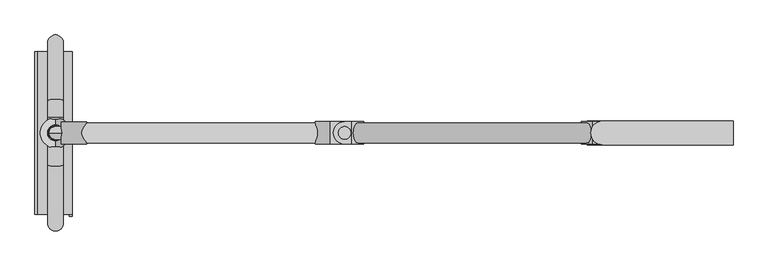
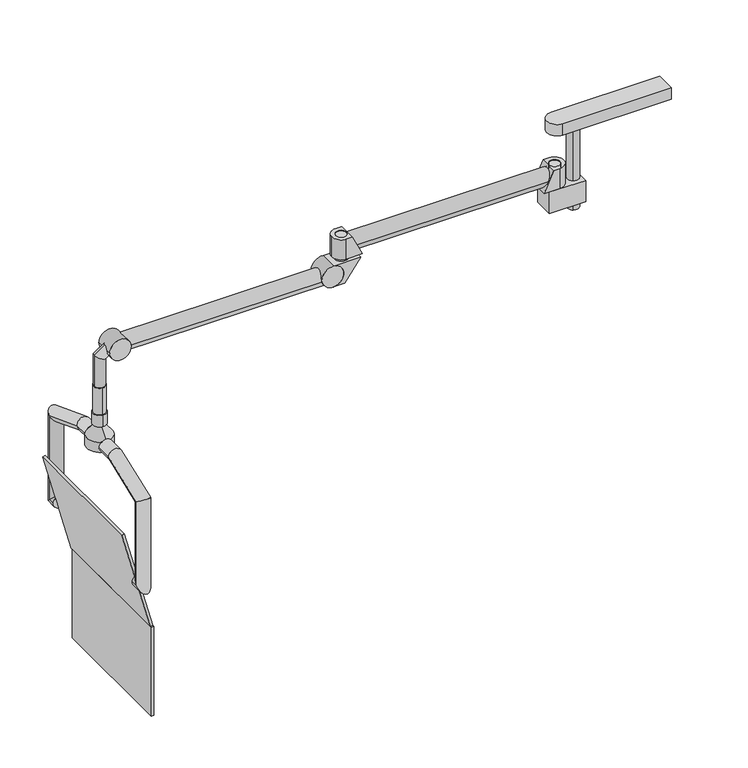
"""IFC4 building model written with IfcOpenShell, lengths in millimetres: proxy geometry."""

from ifc_helpers import new_model, si_unit, point, frame, frame_2d, origin, place, context, project, spatial, polyline, circle_curve, ellipse_curve, trimmed, segment, composite_curve, outline, extrude, source, transform, mapped, element, save
from ifc_brep_helpers import plane_surface, cylinder_surface, revolved_surface, advanced_brep


def specialty_equipment_772f9562(model_context):
    return source(origin(), model_context, "Body", "SolidModel", [
        extrude(outline(polyline([(-2079.0708704, 249.9719981), (-2069.0708704, 249.9719981), (-2069.0708704, -261.7552426), (-2079.0708704, -261.7552426), (-2079.0708704, 249.9719981)])), frame((0.0, 0.0, 1187.1960322), z_axis=(0.0, 0.0, 1.0), x_axis=(1.0, 0.0, 0.0)), (0.0, 0.0, 1.0), 351.9023414),
        extrude(outline(polyline([(1937.7690322, -2186.2448704), (1539.0983737, -2079.4225831), (1539.0983737, -2069.0708704), (1940.3569354, -2176.5865765), (1937.7690322, -2186.2448704)])), frame((0.0, -255.701655, 0.0), z_axis=(0.0, 1.0, 0.0), x_axis=(0.0, 0.0, 1.0)), (0.0, 0.0, 1.0), 511.4259107),
        advanced_brep(
        [(-2096.7549478, -256.4897498, 1739.5010997), (-2146.7549478, -256.4897498, 1739.5010997), (-2096.7549478, -282.5558828, 1739.5010997), (-2146.7549478, -282.5558828, 1739.5010997), (-2096.7549478, -282.5558828, 2072.6198496), (-2146.7549478, -282.5558828, 2072.6198496), (-2096.7549478, -100.5076996, 2142.5015997), (-2146.7549478, -100.5076996, 2142.5015997), (-2096.7549478, 47.5113004, 2142.5015997), (-2146.7549478, 47.5113004, 2142.5015997), (-2096.7549478, 100.5303004, 2142.5015997), (-2146.7549478, 100.5303004, 2142.5015997), (-2096.7549478, 282.5784836, 2072.6198496), (-2146.7549478, 282.5784836, 2072.6198496), (-2096.7549478, 282.5784836, 1739.5010997), (-2146.7549478, 282.5784836, 1739.5010997), (-2096.7549478, 256.5123506, 1739.5010997), (-2146.7549478, 256.5123506, 1739.5010997)],
        [
            (0, 1, circle_curve(frame((-2121.7549478, -256.4897498, 1739.5010997), z_axis=(0.0, 1.0, 0.0), x_axis=(-1.0, 0.0, 0.0)), 25.0)),
            (1, 0, circle_curve(frame((-2121.7549478, -256.4897498, 1739.5010997), z_axis=(0.0, 1.0, 0.0), x_axis=(-1.0, 0.0, 0.0)), 25.0)),
            (0, 2),
            (2, 3, ellipse_curve(frame((-2121.7549478, -282.5558828, 1739.5010997), z_axis=(0.0, 0.7071067811865429, -0.7071067811865522), x_axis=(0.0, 0.7071067811865519, 0.707106781186543)), 35.3553391, 25.0)),
            (3, 1),
            (3, 2, ellipse_curve(frame((-2121.7549478, -282.5558828, 1739.5010997), z_axis=(0.0, 0.7071067811865429, -0.7071067811865522), x_axis=(0.0, 0.7071067811865519, 0.707106781186543)), 35.3553391, 25.0)),
            (2, 4),
            (4, 5, ellipse_curve(frame((-2121.7549478, -282.5558828, 2072.6198496), z_axis=(0.0, -0.5664062369248385, -0.8241261886220117), x_axis=(0.0, 0.8241261886220117, -0.5664062369248386)), 30.3351603, 25.0)),
            (5, 3),
            (5, 4, ellipse_curve(frame((-2121.7549478, -282.5558828, 2072.6198496), z_axis=(0.0, -0.5664062369248385, -0.8241261886220117), x_axis=(0.0, 0.8241261886220117, -0.5664062369248386)), 30.3351603, 25.0)),
            (4, 6),
            (6, 7, ellipse_curve(frame((-2121.7549478, -100.5076996, 2142.5015997), z_axis=(0.0, -0.9832549075639563, -0.18223552549213906), x_axis=(0.0, 0.18223552549214003, -0.983254907563956)), 25.4257566, 25.0)),
            (7, 5),
            (7, 6, ellipse_curve(frame((-2121.7549478, -100.5076996, 2142.5015997), z_axis=(0.0, -0.9832549075639563, -0.18223552549213906), x_axis=(0.0, 0.18223552549214003, -0.983254907563956)), 25.4257566, 25.0)),
            (6, 8),
            (8, 9, circle_curve(frame((-2121.7549478, 47.5113004, 2142.5015997), z_axis=(0.0, -1.0, 0.0), x_axis=(-1.0, 0.0, 0.0)), 25.0)),
            (9, 7),
            (9, 8, circle_curve(frame((-2121.7549478, 47.5113004, 2142.5015997), z_axis=(0.0, -1.0, 0.0), x_axis=(-1.0, 0.0, 0.0)), 25.0)),
            (8, 10),
            (10, 11, ellipse_curve(frame((-2121.7549478, 100.5303004, 2142.5015997), z_axis=(0.0, -0.9832549075639536, 0.18223552549215305), x_axis=(0.0, -0.18223552549215277, -0.9832549075639535)), 25.4257566, 25.0)),
            (11, 9),
            (11, 10, ellipse_curve(frame((-2121.7549478, 100.5303004, 2142.5015997), z_axis=(0.0, -0.9832549075639536, 0.18223552549215305), x_axis=(0.0, -0.18223552549215277, -0.9832549075639535)), 25.4257566, 25.0)),
            (10, 12),
            (12, 13, ellipse_curve(frame((-2121.7549478, 282.5784836, 2072.6198496), z_axis=(0.0, -0.5664062369248266, 0.8241261886220198), x_axis=(0.0, -0.82412618862202, -0.5664062369248265)), 30.3351603, 25.0)),
            (13, 11),
            (13, 12, ellipse_curve(frame((-2121.7549478, 282.5784836, 2072.6198496), z_axis=(0.0, -0.5664062369248266, 0.8241261886220198), x_axis=(0.0, -0.82412618862202, -0.5664062369248265)), 30.3351603, 25.0)),
            (12, 14),
            (14, 15, ellipse_curve(frame((-2121.7549478, 282.5784836, 1739.5010997), z_axis=(0.0, 0.7071067811865529, 0.707106781186542), x_axis=(0.0, -0.7071067811865419, 0.707106781186553)), 35.3553391, 25.0)),
            (15, 13),
            (15, 14, ellipse_curve(frame((-2121.7549478, 282.5784836, 1739.5010997), z_axis=(0.0, 0.7071067811865529, 0.707106781186542), x_axis=(0.0, -0.7071067811865419, 0.707106781186553)), 35.3553391, 25.0)),
            (16, 17, circle_curve(frame((-2121.7549478, 256.5123506, 1739.5010997), z_axis=(0.0, -1.0, 0.0), x_axis=(-1.0, 0.0, 0.0)), 25.0)),
            (17, 16, circle_curve(frame((-2121.7549478, 256.5123506, 1739.5010997), z_axis=(0.0, -1.0, 0.0), x_axis=(-1.0, 0.0, 0.0)), 25.0)),
            (14, 16),
            (17, 15),
        ],
        [
            plane_surface(frame((-2121.7549478, -256.4897498, 1739.5010997), z_axis=(0.0, 1.0, 0.0), x_axis=(-1.0, 0.0, 0.0))),
            cylinder_surface(frame((-2121.7549478, -256.4897498, 1739.5010997), z_axis=(0.0, 1.0, 0.0), x_axis=(-1.0, 0.0, 0.0)), 25.0),
            cylinder_surface(frame((-2121.7549478, -282.5558828, 1739.5010997), z_axis=(0.0, 0.0, -1.0), x_axis=(-1.0, 0.0, 0.0)), 25.0),
            cylinder_surface(frame((-2121.7549478, -282.5558828, 2072.6198496), z_axis=(0.0, -0.9335804264972041, -0.35836794954529444), x_axis=(-1.0, 0.0, 0.0)), 25.0),
            cylinder_surface(frame((-2121.7549478, -100.5076996, 2142.5015997), z_axis=(0.0, -1.0, 0.0), x_axis=(-1.0, 0.0, 0.0)), 25.0),
            cylinder_surface(frame((-2121.7549478, 47.5113004, 2142.5015997), z_axis=(0.0, -1.0, 0.0), x_axis=(-1.0, 0.0, 0.0)), 25.0),
            cylinder_surface(frame((-2121.7549478, 100.5303004, 2142.5015997), z_axis=(0.0, -0.9335804264971989, 0.35836794954530776), x_axis=(-1.0, 0.0, 0.0)), 25.0),
            cylinder_surface(frame((-2121.7549478, 282.5784836, 2072.6198496), z_axis=(0.0, 0.0, 1.0), x_axis=(-1.0, 0.0, 0.0)), 25.0),
            plane_surface(frame((-2121.7549478, 256.5123506, 1739.5010997), z_axis=(0.0, -1.0, 0.0), x_axis=(-1.0, 0.0, 0.0))),
            cylinder_surface(frame((-2121.7549478, 282.5784836, 1739.5010997), z_axis=(0.0, 1.0, 0.0), x_axis=(-1.0, 0.0, 0.0)), 25.0),
        ],
        [
            (0, [[1, 2]]),
            (1, [[-1, 3, 4, 5]]),
            (1, [[-2, -5, 6, -3]]),
            (2, [[-4, 7, 8, 9]]),
            (2, [[-6, -9, 10, -7]]),
            (3, [[-8, 11, 12, 13]]),
            (3, [[-10, -13, 14, -11]]),
            (4, [[-12, 15, 16, 17]]),
            (4, [[-14, -17, 18, -15]]),
            (5, [[-16, 19, 20, 21]]),
            (5, [[-18, -21, 22, -19]]),
            (6, [[-20, 23, 24, 25]]),
            (6, [[-22, -25, 26, -23]]),
            (7, [[-24, 27, 28, 29]]),
            (7, [[-26, -29, 30, -27]]),
            (8, [[31, 32]]),
            (9, [[-28, 33, -32, 34]]),
            (9, [[-30, -34, -31, -33]]),
        ],
    ),
        advanced_brep(
        [(-2121.7549478, 47.5113004, 2162.5015997), (-2121.7549478, -47.4886996, 2162.5015997), (-2121.7549478, -47.4886996, 2122.5015997), (-2121.7549478, 47.5113004, 2122.5015997), (-2121.7549478, 14.9141675, 2202.7557064), (-2121.7549478, -14.8915667, 2202.7557064), (-2121.7549478, 14.9141675, 2207.5015997), (-2121.7549478, -14.8915667, 2207.5015997), (-2121.7549478, 25.0113004, 2207.5015997), (-2121.7549478, -24.9886996, 2207.5015997), (-2121.7549478, 25.0113004, 2252.5015997), (-2121.7549478, -24.9886996, 2252.5015997), (-2121.7549478, 22.0113004, 2252.5015997), (-2121.7549478, -21.9886996, 2252.5015997), (-2121.7549478, 22.0113004, 2358.5015997), (-2121.7549478, -21.9886996, 2358.5015997), (-2121.7549478, 0.0113004, 2358.5015997), (-2121.7549478, 0.0113004, 2122.5015997)],
        [
            (0, 1, circle_curve(frame((-2121.7549478, 0.0113004, 2162.5015997), z_axis=(0.0, 0.0, -1.0), x_axis=(0.0, -1.0, 0.0)), 47.5)),
            (1, 2),
            (2, 3, circle_curve(frame((-2121.7549478, 0.0113004, 2122.5015997), z_axis=(0.0, 0.0, 1.0), x_axis=(0.0, -1.0, 0.0)), 47.5)),
            (3, 0),
            (1, 0, circle_curve(frame((-2121.7549478, 0.0113004, 2162.5015997), z_axis=(0.0, 0.0, -1.0), x_axis=(0.0, -1.0, 0.0)), 47.5)),
            (3, 2, circle_curve(frame((-2121.7549478, 0.0113004, 2122.5015997), z_axis=(0.0, 0.0, 1.0), x_axis=(0.0, -1.0, 0.0)), 47.5)),
            (4, 5, circle_curve(frame((-2121.7549478, 0.0113004, 2202.7557064), z_axis=(0.0, 0.0, -1.0), x_axis=(0.0, -1.0, 0.0)), 14.9028671)),
            (5, 1),
            (0, 4),
            (5, 4, circle_curve(frame((-2121.7549478, 0.0113004, 2202.7557064), z_axis=(0.0, 0.0, -1.0), x_axis=(0.0, -1.0, 0.0)), 14.9028671)),
            (6, 7, circle_curve(frame((-2121.7549478, 0.0113004, 2207.5015997), z_axis=(0.0, 0.0, -1.0), x_axis=(0.0, -1.0, 0.0)), 14.9028671)),
            (7, 5),
            (4, 6),
            (7, 6, circle_curve(frame((-2121.7549478, 0.0113004, 2207.5015997), z_axis=(0.0, 0.0, -1.0), x_axis=(0.0, -1.0, 0.0)), 14.9028671)),
            (8, 9, circle_curve(frame((-2121.7549478, 0.0113004, 2207.5015997), z_axis=(0.0, 0.0, -1.0), x_axis=(0.0, -1.0, 0.0)), 25.0)),
            (9, 7),
            (6, 8),
            (9, 8, circle_curve(frame((-2121.7549478, 0.0113004, 2207.5015997), z_axis=(0.0, 0.0, -1.0), x_axis=(0.0, -1.0, 0.0)), 25.0)),
            (10, 11, circle_curve(frame((-2121.7549478, 0.0113004, 2252.5015997), z_axis=(0.0, 0.0, -1.0), x_axis=(0.0, -1.0, 0.0)), 25.0)),
            (11, 9),
            (8, 10),
            (11, 10, circle_curve(frame((-2121.7549478, 0.0113004, 2252.5015997), z_axis=(0.0, 0.0, -1.0), x_axis=(0.0, -1.0, 0.0)), 25.0)),
            (12, 13, circle_curve(frame((-2121.7549478, 0.0113004, 2252.5015997), z_axis=(0.0, 0.0, -1.0), x_axis=(0.0, -1.0, 0.0)), 22.0)),
            (13, 11),
            (10, 12),
            (13, 12, circle_curve(frame((-2121.7549478, 0.0113004, 2252.5015997), z_axis=(0.0, 0.0, -1.0), x_axis=(0.0, -1.0, 0.0)), 22.0)),
            (14, 15, circle_curve(frame((-2121.7549478, 0.0113004, 2358.5015997), z_axis=(0.0, 0.0, -1.0), x_axis=(0.0, -1.0, 0.0)), 22.0)),
            (15, 13),
            (12, 14),
            (15, 14, circle_curve(frame((-2121.7549478, 0.0113004, 2358.5015997), z_axis=(0.0, 0.0, -1.0), x_axis=(0.0, -1.0, 0.0)), 22.0)),
            (16, 15),
            (14, 16),
            (2, 17),
            (17, 3),
        ],
        [
            cylinder_surface(frame((-2121.7549478, 0.0113004, 2358.5015997), z_axis=(0.0, 0.0, 1.0), x_axis=(0.0, -1.0, 0.0)), 47.5),
            revolved_surface(polyline([(-2121.7549478, -47.4886996, 2162.5015997), (-2121.7549478, -14.8915667, 2202.7557064)]), (-2121.7549478, 0.0113004, 2358.5015997), (0.0, 0.0, 1.0)),
            cylinder_surface(frame((-2121.7549478, 0.0113004, 2358.5015997), z_axis=(0.0, 0.0, 1.0), x_axis=(0.0, -1.0, 0.0)), 14.9028671),
            plane_surface(frame((-2121.7549478, 0.0113004, 2207.5015997), z_axis=(0.0, 0.0, -1.0), x_axis=(0.0, -1.0, 0.0))),
            cylinder_surface(frame((-2121.7549478, 0.0113004, 2358.5015997), z_axis=(0.0, 0.0, 1.0), x_axis=(0.0, -1.0, 0.0)), 25.0),
            plane_surface(frame((-2121.7549478, 0.0113004, 2252.5015997), z_axis=(0.0, 0.0, 1.0), x_axis=(0.0, -1.0, 0.0))),
            cylinder_surface(frame((-2121.7549478, 0.0113004, 2358.5015997), z_axis=(0.0, 0.0, 1.0), x_axis=(0.0, -1.0, 0.0)), 22.0),
            plane_surface(frame((-2121.7549478, 0.0113004, 2358.5015997), z_axis=(0.0, 0.0, 1.0), x_axis=(0.0, -1.0, 0.0))),
            plane_surface(frame((-2121.7549478, 0.0113004, 2122.5015997), z_axis=(0.0, 0.0, -1.0), x_axis=(0.0, -1.0, 0.0))),
        ],
        [
            (0, [[1, 2, 3, 4]]),
            (0, [[5, -4, 6, -2]]),
            (1, [[7, 8, -1, 9]]),
            (1, [[10, -9, -5, -8]]),
            (2, [[11, 12, -7, 13]]),
            (2, [[14, -13, -10, -12]]),
            (3, [[15, 16, -11, 17]]),
            (3, [[18, -17, -14, -16]]),
            (4, [[19, 20, -15, 21]]),
            (4, [[22, -21, -18, -20]]),
            (5, [[23, 24, -19, 25]]),
            (5, [[26, -25, -22, -24]]),
            (6, [[27, 28, -23, 29]]),
            (6, [[30, -29, -26, -28]]),
            (7, [[31, -27, 32]]),
            (7, [[-32, -30, -31]]),
            (8, [[-3, 33, 34]]),
            (8, [[-6, -34, -33]]),
        ],
    ),
        extrude(outline(composite_curve([segment(trimmed(circle_curve(frame_2d((-1217.0348492, -0.902891)), 25.0), [point((-1192.0348492, -0.902891))], [point((-1242.0348492, -0.902891))], False, "CARTESIAN"), True, "CONTINUOUS"), segment(trimmed(circle_curve(frame_2d((-1217.0348492, -0.902891)), 25.0), [point((-1242.0348492, -0.902891))], [point((-1192.0348492, -0.902891))], False, "CARTESIAN"), True, "CONTINUOUS")], self_intersect=False)), frame((0.0, 0.0, 2548.0), z_axis=(0.0, 0.0, 1.0), x_axis=(1.0, 0.0, 0.0)), (0.0, 0.0, 1.0), 12.0),
        advanced_brep(
        [(-2072.9491322, 0.0, 2480.6244111), (-2095.8921896, 0.0, 2513.3904929), (-2101.7549478, 0.0, 2460.4543619), (-2141.7549478, 0.0, 2481.2770439), (-2101.7549478, 0.0, 2358.5015997), (-2141.7549478, 0.0, 2358.5015997)],
        [
            (0, 1, circle_curve(frame((-2084.4206609, 0.0, 2497.007452), z_axis=(0.819152044288981, 0.0, 0.5735764363510617), x_axis=(-0.5735764363510594, 0.0, 0.8191520442889801)), 20.0)),
            (1, 0, circle_curve(frame((-2084.4206609, 0.0, 2497.007452), z_axis=(0.819152044288981, 0.0, 0.5735764363510617), x_axis=(-0.5735764363510594, 0.0, 0.8191520442889801)), 20.0)),
            (0, 2),
            (2, 3, ellipse_curve(frame((-2121.7549478, 0.0, 2470.8657029), z_axis=(0.46174861323501937, 0.0, 0.8870108331782293), x_axis=(0.8870108331782295, 0.0, -0.46174861323501915)), 22.5476389, 20.0)),
            (3, 1),
            (3, 2, ellipse_curve(frame((-2121.7549478, 0.0, 2470.8657029), z_axis=(0.46174861323501937, 0.0, 0.8870108331782293), x_axis=(0.8870108331782295, 0.0, -0.46174861323501915)), 22.5476389, 20.0)),
            (4, 5, circle_curve(frame((-2121.7549478, 0.0, 2358.5015997), z_axis=(0.0, 0.0, -1.0), x_axis=(-1.0, 0.0, 0.0)), 20.0)),
            (5, 4, circle_curve(frame((-2121.7549478, 0.0, 2358.5015997), z_axis=(0.0, 0.0, -1.0), x_axis=(-1.0, 0.0, 0.0)), 20.0)),
            (2, 4),
            (5, 3),
        ],
        [
            plane_surface(frame((-2084.4206609, -4.1991089, 2497.007452), z_axis=(0.8191520442889817, 0.0, 0.5735764363510605), x_axis=(0.0, 1.0, 0.0))),
            cylinder_surface(frame((-2084.4206609, 0.0, 2497.007452), z_axis=(0.8191520442889825, 0.0, 0.5735764363510627), x_axis=(-0.5735764363510594, 0.0, 0.8191520442889801)), 20.0),
            plane_surface(frame((-2121.7549478, -4.1991089, 2358.5015997), z_axis=(0.0, 0.0, -1.0), x_axis=(0.0, 1.0, 0.0))),
            cylinder_surface(frame((-2121.7549478, 0.0, 2470.8657029), z_axis=(0.0, 0.0, 1.0), x_axis=(-1.0, 0.0, 0.0)), 20.0),
        ],
        [
            (0, [[1, 2]]),
            (1, [[-1, 3, 4, 5]]),
            (1, [[-2, -5, 6, -3]]),
            (2, [[7, 8]]),
            (3, [[-4, 9, -8, 10]]),
            (3, [[-6, -10, -7, -9]]),
        ],
    ),
        extrude(outline(composite_curve([segment(trimmed(circle_curve(frame_2d((2497.076263, -2063.7570467)), 40.5), [point((2497.076263, -2023.2570467))], [point((2497.076263, -2104.2570467))], False, "CARTESIAN"), True, "CONTINUOUS"), segment(trimmed(circle_curve(frame_2d((2497.076263, -2063.7570467)), 40.5), [point((2497.076263, -2104.2570467))], [point((2497.076263, -2023.2570467))], False, "CARTESIAN"), True, "CONTINUOUS")], self_intersect=False)), frame((0.0, -35.3631905, 0.0), z_axis=(0.0, 1.0, 0.0), x_axis=(0.0, 0.0, 1.0)), (0.0, 0.0, 1.0), 70.0),
        extrude(outline(composite_curve([segment(trimmed(circle_curve(frame_2d((0.0, 2498.5009045)), 31.5), [point((31.5, 2498.5009045))], [point((-31.5, 2498.5009045))], False, "CARTESIAN"), True, "CONTINUOUS"), segment(trimmed(circle_curve(frame_2d((0.0, 2498.5009045)), 31.5), [point((-31.5, 2498.5009045))], [point((31.5, 2498.5009045))], False, "CARTESIAN"), True, "CONTINUOUS")], self_intersect=False)), frame((-2062.8731632, 0.0, 0.0), z_axis=(1.0, 0.0, 0.0), x_axis=(0.0, 1.0, 0.0)), (0.0, 0.0, 1.0), 795.1403574),
        extrude(outline(composite_curve([segment(trimmed(circle_curve(frame_2d((2507.5, -1267.7328058)), 40.5), [point((2507.5, -1227.2328058))], [point((2507.5, -1308.2328058))], False, "CARTESIAN"), True, "CONTINUOUS"), segment(trimmed(circle_curve(frame_2d((2507.5, -1267.7328058)), 40.5), [point((2507.5, -1308.2328058))], [point((2507.5, -1227.2328058))], False, "CARTESIAN"), True, "CONTINUOUS")], self_intersect=False)), frame((0.0, -35.0, 0.0), z_axis=(0.0, 1.0, 0.0), x_axis=(0.0, 0.0, 1.0)), (0.0, 0.0, 1.0), 70.0),
        extrude(outline(composite_curve([segment(trimmed(circle_curve(frame_2d((2507.5, -1267.7328058)), 40.5), [point((2548.0, -1267.7328058))], [point((2467.0, -1267.7328058))], True, "CARTESIAN"), True, "CONTINUOUS"), segment(polyline([(2467.0, -1267.7328058), (2467.0, -1223.2706839), (2548.0, -1162.2328058), (2548.0, -1267.7328058)]), True, "CONTINUOUS")], self_intersect=False)), frame((0.0, -35.0, 0.0), z_axis=(0.0, 1.0, 0.0), x_axis=(0.0, 0.0, 1.0)), (0.0, 0.0, 1.0), 70.0),
        advanced_brep(
        [(-1193.9828058, 35.0, 2639.0), (-1193.9828058, -35.0, 2639.0), (-1156.9828058, -35.0, 2560.0), (-1156.9828058, 35.0, 2560.0), (-1216.4828058, 35.0, 2639.0), (-1251.4828058, 0.0, 2639.0), (-1216.4828058, -35.0, 2639.0), (-1235.9828058, 0.0, 2639.0), (-1196.9828058, 0.0, 2639.0), (-1216.4828058, 35.0, 2560.0), (-1216.4828058, -35.0, 2560.0), (-1251.4828058, 0.0, 2560.0), (-1235.9828058, 0.0, 2560.0), (-1196.9828058, 0.0, 2560.0)],
        [
            (0, 1),
            (1, 2),
            (2, 3),
            (3, 0),
            (4, 5, circle_curve(frame((-1216.4828058, 0.0, 2639.0), z_axis=(0.0, 0.0, 1.0), x_axis=(1.0, 0.0, 0.0)), 35.0)),
            (5, 6, circle_curve(frame((-1216.4828058, 0.0, 2639.0), z_axis=(0.0, 0.0, 1.0), x_axis=(1.0, 0.0, 0.0)), 35.0)),
            (6, 1),
            (0, 4),
            (7, 8, circle_curve(frame((-1216.4828058, 0.0, 2639.0), z_axis=(0.0, 0.0, -1.0), x_axis=(1.0, 0.0, 0.0)), 19.5)),
            (8, 7, circle_curve(frame((-1216.4828058, 0.0, 2639.0), z_axis=(0.0, 0.0, -1.0), x_axis=(1.0, 0.0, 0.0)), 19.5)),
            (9, 3),
            (2, 10),
            (10, 11, circle_curve(frame((-1216.4828058, 0.0, 2560.0), z_axis=(0.0, 0.0, -1.0), x_axis=(1.0, 0.0, 0.0)), 35.0)),
            (11, 9, circle_curve(frame((-1216.4828058, 0.0, 2560.0), z_axis=(0.0, 0.0, -1.0), x_axis=(1.0, 0.0, 0.0)), 35.0)),
            (12, 13, circle_curve(frame((-1216.4828058, 0.0, 2560.0), z_axis=(0.0, 0.0, 1.0), x_axis=(1.0, 0.0, 0.0)), 19.5)),
            (13, 12, circle_curve(frame((-1216.4828058, 0.0, 2560.0), z_axis=(0.0, 0.0, 1.0), x_axis=(1.0, 0.0, 0.0)), 19.5)),
            (6, 10),
            (9, 4),
            (7, 12),
            (13, 8),
            (5, 11),
        ],
        [
            plane_surface(frame((-1156.9828058, 35.0, 2560.0), z_axis=(0.9055965574336844, 0.0, 0.4241401598107159), x_axis=(0.0, -1.0, 0.0))),
            plane_surface(frame((-1181.4828058, 0.0, 2639.0), z_axis=(0.0, 0.0, 1.0), x_axis=(0.0, -1.0, 0.0))),
            plane_surface(frame((-1181.4828058, 0.0, 2560.0), z_axis=(0.0, 0.0, -1.0), x_axis=(0.0, 1.0, 0.0))),
            plane_surface(frame((-1216.4828058, -35.0, 2639.0), z_axis=(0.0, -1.0, 0.0), x_axis=(0.0, 0.0, -1.0))),
            plane_surface(frame((-1156.9828058, 35.0, 2639.0), z_axis=(0.0, 1.0, 0.0), x_axis=(0.0, 0.0, -1.0))),
            revolved_surface(polyline([(-1196.9828058, 0.0, 2560.0), (-1196.9828058, 0.0, 2639.0)]), (-1216.4828058, 0.0, 2560.0), (0.0, 0.0, -1.0)),
            cylinder_surface(frame((-1216.4828058, 0.0, 2560.0), z_axis=(0.0, 0.0, 1.0), x_axis=(1.0, 0.0, 0.0)), 35.0),
        ],
        [
            (0, [[1, 2, 3, 4]]),
            (1, [[5, 6, 7, -1, 8], [9, 10]]),
            (2, [[11, -3, 12, 13, 14], [15, 16]]),
            (3, [[-12, -2, -7, 17]]),
            (4, [[-11, 18, -8, -4]]),
            (5, [[-9, 19, -16, 20]]),
            (5, [[-10, -20, -15, -19]]),
            (6, [[21, -13, -17, -6]]),
            (6, [[-21, -5, -18, -14]]),
        ],
    ),
        extrude(outline(composite_curve([segment(trimmed(circle_curve(frame_2d((-1216.4828058, 0.0)), 19.5), [point((-1196.9828058, 0.0))], [point((-1235.9828058, 0.0))], False, "CARTESIAN"), True, "CONTINUOUS"), segment(trimmed(circle_curve(frame_2d((-1216.4828058, 0.0)), 19.5), [point((-1235.9828058, 0.0))], [point((-1196.9828058, 0.0))], False, "CARTESIAN"), True, "CONTINUOUS")], self_intersect=False)), frame((0.0, 0.0, 2560.0), z_axis=(0.0, 0.0, 1.0), x_axis=(1.0, 0.0, 0.0)), (0.0, 0.0, 1.0), 77.0),
        advanced_brep(
        [(-438.9828058, -35.0, 2639.0), (-438.9828058, 35.0, 2639.0), (-475.9828058, 35.0, 2560.0), (-475.9828058, -35.0, 2560.0), (-381.4828058, 0.0, 2639.0), (-416.4828058, 35.0, 2639.0), (-416.4828058, -35.0, 2639.0), (-396.9828058, 0.0, 2639.0), (-435.9828058, 0.0, 2639.0), (-416.4828058, -35.0, 2560.0), (-416.4828058, 35.0, 2560.0), (-381.4828058, 0.0, 2560.0), (-396.9828058, 0.0, 2560.0), (-435.9828058, 0.0, 2560.0)],
        [
            (0, 1),
            (1, 2),
            (2, 3),
            (3, 0),
            (4, 5, circle_curve(frame((-416.4828058, 0.0, 2639.0), z_axis=(0.0, 0.0, 1.0), x_axis=(1.0, 0.0, 0.0)), 35.0)),
            (5, 1),
            (0, 6),
            (6, 4, circle_curve(frame((-416.4828058, 0.0, 2639.0), z_axis=(0.0, 0.0, 1.0), x_axis=(1.0, 0.0, 0.0)), 35.0)),
            (7, 8, circle_curve(frame((-416.4828058, 0.0, 2639.0), z_axis=(0.0, 0.0, -1.0), x_axis=(1.0, 0.0, 0.0)), 19.5)),
            (8, 7, circle_curve(frame((-416.4828058, 0.0, 2639.0), z_axis=(0.0, 0.0, -1.0), x_axis=(1.0, 0.0, 0.0)), 19.5)),
            (9, 3),
            (2, 10),
            (10, 11, circle_curve(frame((-416.4828058, 0.0, 2560.0), z_axis=(0.0, 0.0, -1.0), x_axis=(1.0, 0.0, 0.0)), 35.0)),
            (11, 9, circle_curve(frame((-416.4828058, 0.0, 2560.0), z_axis=(0.0, 0.0, -1.0), x_axis=(1.0, 0.0, 0.0)), 35.0)),
            (12, 13, circle_curve(frame((-416.4828058, 0.0, 2560.0), z_axis=(0.0, 0.0, 1.0), x_axis=(1.0, 0.0, 0.0)), 19.5)),
            (13, 12, circle_curve(frame((-416.4828058, 0.0, 2560.0), z_axis=(0.0, 0.0, 1.0), x_axis=(1.0, 0.0, 0.0)), 19.5)),
            (9, 6),
            (5, 10),
            (8, 13),
            (12, 7),
            (11, 4),
        ],
        [
            plane_surface(frame((-438.9828058, 35.0, 2639.0), z_axis=(-0.9055965574336828, 0.0, 0.42414015981071895), x_axis=(0.0, -1.0, 0.0))),
            plane_surface(frame((-477.9828058, 35.0, 2639.0), z_axis=(0.0, 0.0, 1.0), x_axis=(-1.0, 0.0, 0.0))),
            plane_surface(frame((-477.9828058, 35.0, 2560.0), z_axis=(0.0, 0.0, -1.0), x_axis=(1.0, 0.0, 0.0))),
            plane_surface(frame((-475.9828058, -35.0, 2639.0), z_axis=(0.0, -1.0, 0.0), x_axis=(0.0, 0.0, -1.0))),
            plane_surface(frame((-416.4828058, 35.0, 2639.0), z_axis=(0.0, 1.0, 0.0), x_axis=(0.0, 0.0, -1.0))),
            revolved_surface(polyline([(-396.9828058, 0.0, 2560.0), (-396.9828058, 0.0, 2639.0)]), (-416.4828058, 0.0, 2560.0), (0.0, 0.0, -1.0)),
            cylinder_surface(frame((-416.4828058, 0.0, 2560.0), z_axis=(0.0, 0.0, 1.0), x_axis=(1.0, 0.0, 0.0)), 35.0),
        ],
        [
            (0, [[1, 2, 3, 4]]),
            (1, [[5, 6, -1, 7, 8], [9, 10]]),
            (2, [[11, -3, 12, 13, 14], [15, 16]]),
            (3, [[-11, 17, -7, -4]]),
            (4, [[-12, -2, -6, 18]]),
            (5, [[-10, 19, -15, 20]]),
            (5, [[-9, -20, -16, -19]]),
            (6, [[21, -8, -17, -14]]),
            (6, [[-21, -13, -18, -5]]),
        ],
    ),
        extrude(outline(composite_curve([segment(trimmed(circle_curve(frame_2d((-416.4828058, 0.0)), 19.5), [point((-435.9828058, 0.0))], [point((-396.9828058, 0.0))], False, "CARTESIAN"), True, "CONTINUOUS"), segment(trimmed(circle_curve(frame_2d((-416.4828058, 0.0)), 19.5), [point((-396.9828058, 0.0))], [point((-435.9828058, 0.0))], False, "CARTESIAN"), True, "CONTINUOUS")], self_intersect=False)), frame((0.0, 0.0, 2560.0), z_axis=(0.0, 0.0, 1.0), x_axis=(1.0, 0.0, 0.0)), (0.0, 0.0, 1.0), 77.0),
        extrude(outline(composite_curve([segment(trimmed(circle_curve(frame_2d((0.0, 2598.5)), 31.5), [point((-31.5, 2598.5))], [point((31.5, 2598.5))], False, "CARTESIAN"), True, "CONTINUOUS"), segment(trimmed(circle_curve(frame_2d((0.0, 2598.5)), 31.5), [point((31.5, 2598.5))], [point((-31.5, 2598.5))], False, "CARTESIAN"), True, "CONTINUOUS")], self_intersect=False)), frame((-1216.4828058, 0.0, 0.0), z_axis=(1.0, 0.0, 0.0), x_axis=(0.0, 1.0, 0.0)), (0.0, 0.0, 1.0), 800.0),
        extrude(outline(composite_curve([segment(trimmed(circle_curve(frame_2d((-347.1526488, -0.0005707)), 22.0), [point((-358.1526488, -19.0531296))], [point((-336.1526488, 19.0519882))], False, "CARTESIAN"), True, "CONTINUOUS"), segment(trimmed(circle_curve(frame_2d((-347.1526488, -0.0005707)), 22.0), [point((-336.1526488, 19.0519882))], [point((-358.1526488, -19.0531296))], False, "CARTESIAN"), True, "CONTINUOUS")], self_intersect=False)), frame((0.0, 0.0, 2444.4137598), z_axis=(0.0, 0.0, 1.0), x_axis=(1.0, 0.0, 0.0)), (0.0, 0.0, 1.0), 361.4764347),
        extrude(outline(polyline([(-321.604046, -37.5), (-457.0, -37.5), (-457.0, 37.5), (-321.604046, 37.5), (-321.604046, -37.5)])), frame((0.0, 0.0, 2475.0), z_axis=(0.0, 0.0, 1.0), x_axis=(1.0, 0.0, 0.0)), (0.0, 0.0, 1.0), 85.0),
        advanced_brep(
        [(0.0, -37.5, 2770.0), (0.0, 37.5, 2770.0), (0.0, 37.5, 2815.0), (0.0, -37.5, 2815.0), (-407.5062606, -37.5, 2770.0), (-445.0062606, 0.0, 2770.0), (-407.5062606, 37.5, 2770.0), (-407.5062606, 37.5, 2815.0), (-445.0062606, 0.0, 2815.0), (-407.5062606, -37.5, 2815.0)],
        [
            (0, 1),
            (1, 2),
            (2, 3),
            (3, 0),
            (0, 4),
            (4, 5, circle_curve(frame((-407.5062606, 0.0, 2770.0), z_axis=(0.0, 0.0, -1.0), x_axis=(1.0, 0.0, 0.0)), 37.5)),
            (5, 6, circle_curve(frame((-407.5062606, 0.0, 2770.0), z_axis=(0.0, 0.0, -1.0), x_axis=(1.0, 0.0, 0.0)), 37.5)),
            (6, 1),
            (6, 7),
            (7, 2),
            (7, 8, circle_curve(frame((-407.5062606, 0.0, 2815.0), z_axis=(0.0, 0.0, 1.0), x_axis=(1.0, 0.0, 0.0)), 37.5)),
            (8, 9, circle_curve(frame((-407.5062606, 0.0, 2815.0), z_axis=(0.0, 0.0, 1.0), x_axis=(1.0, 0.0, 0.0)), 37.5)),
            (9, 3),
            (9, 4),
        ],
        [
            plane_surface(frame((0.0, -37.5, 2770.0), z_axis=(1.0, 0.0, 0.0), x_axis=(0.0, 1.0, 0.0))),
            plane_surface(frame((0.0, -37.5, 2770.0), z_axis=(0.0, 0.0, -1.0), x_axis=(-1.0, 0.0, 0.0))),
            plane_surface(frame((0.0, 37.5, 2770.0), z_axis=(0.0, 1.0, 0.0), x_axis=(-1.0, 0.0, 0.0))),
            plane_surface(frame((0.0, 37.5, 2815.0), z_axis=(0.0, 0.0, 1.0), x_axis=(-1.0, 0.0, 0.0))),
            plane_surface(frame((0.0, -37.5, 2815.0), z_axis=(0.0, -1.0, 0.0), x_axis=(-1.0, 0.0, 0.0))),
            cylinder_surface(frame((-407.5062606, 0.0, 2728.9661762), z_axis=(0.0, 0.0, -1.0), x_axis=(1.0, 0.0, 0.0)), 37.5),
        ],
        [
            (0, [[1, 2, 3, 4]]),
            (1, [[-1, 5, 6, 7, 8]]),
            (2, [[-2, -8, 9, 10]]),
            (3, [[-3, -10, 11, 12, 13]]),
            (4, [[-4, -13, 14, -5]]),
            (5, [[-7, -6, -14, -12, -11, -9]]),
        ],
    ),
    ])


if __name__ == "__main__":
    model = new_model("IFC4")
    model_context = context("Model", 3, world=origin())
    ifc_project = project(units=[si_unit("LENGTHUNIT", "METRE", prefix="MILLI")], contexts=[model_context])
    site = spatial("IfcSite", under=ifc_project)
    building = spatial("IfcBuilding", under=site)
    placement = place(None, origin())
    specialty_equipment_shape = specialty_equipment_772f9562(model_context)
    element("IfcBuildingElementProxy", 1, Name="Specialty Equipment", at=placement, inside=building, context=model_context, shape_type="MappedRepresentation", body=[
        mapped(specialty_equipment_shape, transform((0.0, 0.0, 0.0), x_axis=(1.0, 0.0, 0.0), y_axis=(0.0, 1.0, 0.0), z_axis=(0.0, 0.0, 1.0))),
    ])
    save(model, "model.ifc")
